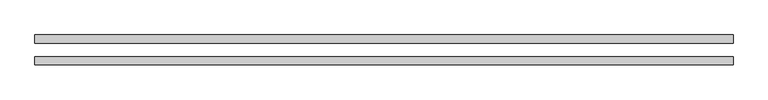
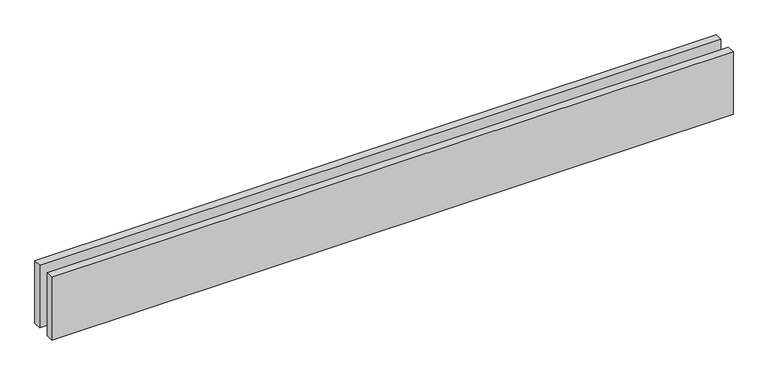
"""IFC4 building model written with IfcOpenShell, lengths in millimetres: proxy geometry."""

from ifc_helpers import new_model, si_unit, origin, origin_with_axes, place, context, project, spatial, polyline, outline, extrude, source, transform, mapped, element, save


def generic_models_397d3e4a(model_context):
    return source(origin(), model_context, "Body", "SweptSolid", [
        extrude(outline(polyline([(2565.9314369, -25.0), (2565.9314369, -55.0), (0.0, -55.0), (0.0, -25.0), (2565.9314369, -25.0)])), origin_with_axes(), (0.0, 0.0, 1.0), 250.0),
        extrude(outline(polyline([(2565.9314369, 55.0), (2565.9314369, 25.0), (0.0, 25.0), (0.0, 55.0), (2565.9314369, 55.0)])), origin_with_axes(), (0.0, 0.0, 1.0), 250.0),
    ])


if __name__ == "__main__":
    model = new_model("IFC4")
    model_context = context("Model", 3, world=origin())
    ifc_project = project(units=[si_unit("LENGTHUNIT", "METRE", prefix="MILLI")], contexts=[model_context])
    site = spatial("IfcSite", under=ifc_project)
    building = spatial("IfcBuilding", under=site)
    placement = place(None, origin())
    generic_models_shape = generic_models_397d3e4a(model_context)
    element("IfcBuildingElementProxy", 1, Name="Generic Models", at=placement, inside=building, context=model_context, shape_type="MappedRepresentation", body=[
        mapped(generic_models_shape, transform((0.0, 0.0, 0.0), x_axis=(1.0, 0.0, 0.0), y_axis=(0.0, 1.0, 0.0), z_axis=(0.0, 0.0, 1.0))),
    ])
    save(model, "model.ifc")
